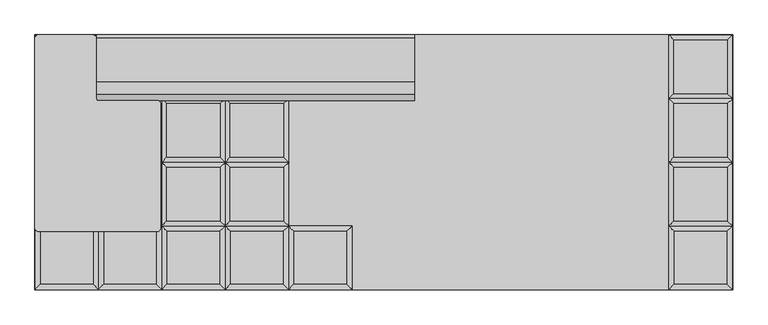
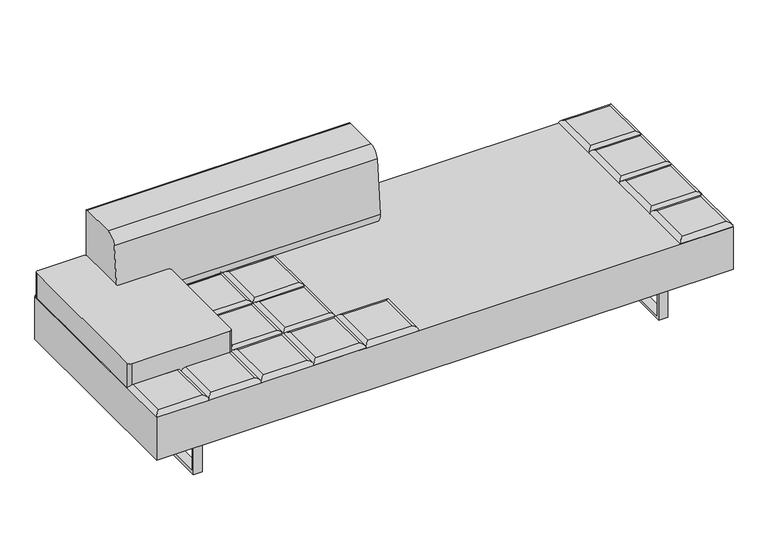
"""IFC4 building model written with IfcOpenShell, lengths in millimetres: furniture geometry."""

from ifc_helpers import new_model, si_unit, point, frame, frame_2d, origin, place, context, project, spatial, polyline, circle_curve, ellipse_curve, trimmed, segment, composite_curve, outline, extrude, source, transform, mapped, element, save
from ifc_brep_helpers import plane_surface, cylinder_surface, advanced_brep


def furniture_c90e6d47(model_context):
    return source(origin(), model_context, "Body", "SolidModel", [
        advanced_brep(
        [(-109.855, -222.25, 393.7), (-127.8155122, -240.2105122, 411.6605122), (-127.8155122, -426.5394878, 411.6605122), (-109.855, -444.5, 393.7), (-314.1444878, -426.5394878, 411.6605122), (-332.105, -444.5, 393.7), (-314.1444878, -240.2105122, 411.6605122), (-332.105, -222.25, 393.7)],
        [
            (0, 1, ellipse_curve(frame((-127.8155122, -240.2105122, 393.7), z_axis=(0.7071067811865475, -0.7071067811865475, 0.0), x_axis=(0.7071067811865474, 0.7071067811865476, 0.0)), 25.4, 17.9605122)),
            (1, 2),
            (2, 3, ellipse_curve(frame((-127.8155122, -426.5394878, 393.7), z_axis=(0.7071067811865475, 0.7071067811865475, 0.0), x_axis=(-0.7071067811865474, 0.7071067811865476, 0.0)), 25.4, 17.9605122)),
            (3, 0),
            (2, 4),
            (4, 5, ellipse_curve(frame((-314.1444878, -426.5394878, 393.7), z_axis=(0.7071067811865475, -0.7071067811865475, 0.0), x_axis=(0.7071067811865476, 0.7071067811865474, 0.0)), 25.4, 17.9605122)),
            (5, 3),
            (4, 6),
            (6, 7, ellipse_curve(frame((-314.1444878, -240.2105122, 393.7), z_axis=(-0.7071067811865475, -0.7071067811865475, 0.0), x_axis=(0.7071067811865474, -0.7071067811865476, 0.0)), 25.4, 17.9605122)),
            (7, 5),
            (0, 7),
            (6, 1),
        ],
        [
            cylinder_surface(frame((-127.8155122, -222.25, 393.7), z_axis=(0.0, 1.0, 0.0), x_axis=(1.0, 0.0, 0.0)), 17.9605122),
            cylinder_surface(frame((-109.855, -426.5394878, 393.7), z_axis=(1.0, 0.0, 0.0), x_axis=(0.0, -1.0, 0.0)), 17.9605122),
            cylinder_surface(frame((-314.1444878, -444.5, 393.7), z_axis=(0.0, -1.0, 0.0), x_axis=(-1.0, 0.0, 0.0)), 17.9605122),
            cylinder_surface(frame((-332.105, -240.2105122, 393.7), z_axis=(-1.0, 0.0, 0.0), x_axis=(0.0, 1.0, 0.0)), 17.9605122),
            plane_surface(frame((-332.105, -222.25, 393.7), z_axis=(0.0, 0.0, -1.0), x_axis=(1.0, 0.0, 0.0))),
            plane_surface(frame((-314.1444878, -240.2105122, 411.6605122), z_axis=(0.0, 0.0, 1.0), x_axis=(-1.0, 0.0, 0.0))),
        ],
        [
            (0, [[1, 2, 3, 4]]),
            (1, [[-3, 5, 6, 7]]),
            (2, [[-6, 8, 9, 10]]),
            (3, [[-1, 11, -9, 12]]),
            (4, [[-4, -7, -10, -11]]),
            (5, [[-2, -12, -8, -5]]),
        ],
    ),
        advanced_brep(
        [(-348.7955122, -204.2894878, 411.6605122), (-348.7955122, -17.9605122, 411.6605122), (-535.1244878, -17.9605122, 411.6605122), (-535.1244878, -204.2894878, 411.6605122), (-330.835, 0.0, 393.7), (-330.835, -222.25, 393.7), (-553.085, -222.25, 393.7), (-553.085, 0.0, 393.7)],
        [
            (0, 1),
            (1, 2),
            (2, 3),
            (3, 0),
            (4, 5),
            (5, 6),
            (6, 7),
            (7, 4),
            (4, 1, ellipse_curve(frame((-348.7955122, -17.9605122, 393.7), z_axis=(0.7071067811865475, -0.7071067811865475, 0.0), x_axis=(0.7071067811865474, 0.7071067811865476, 0.0)), 25.4, 17.9605122)),
            (0, 5, ellipse_curve(frame((-348.7955122, -204.2894878, 393.7), z_axis=(0.7071067811865475, 0.7071067811865475, 0.0), x_axis=(-0.7071067811865474, 0.7071067811865476, 0.0)), 25.4, 17.9605122)),
            (3, 6, ellipse_curve(frame((-535.1244878, -204.2894878, 393.7), z_axis=(0.7071067811865475, -0.7071067811865475, 0.0), x_axis=(0.7071067811865476, 0.7071067811865474, 0.0)), 25.4, 17.9605122)),
            (2, 7, ellipse_curve(frame((-535.1244878, -17.9605122, 393.7), z_axis=(-0.7071067811865475, -0.7071067811865475, 0.0), x_axis=(0.7071067811865474, -0.7071067811865476, 0.0)), 25.4, 17.9605122)),
        ],
        [
            plane_surface(frame((-535.1244878, -17.9605122, 411.6605122), z_axis=(0.0, 0.0, 1.0), x_axis=(-1.0, 0.0, 0.0))),
            plane_surface(frame((-535.1244878, -17.9605122, 393.7), z_axis=(0.0, 0.0, -1.0), x_axis=(1.0, 0.0, 0.0))),
            cylinder_surface(frame((-348.7955122, 0.0, 393.7), z_axis=(0.0, 1.0, 0.0), x_axis=(1.0, 0.0, 0.0)), 17.9605122),
            cylinder_surface(frame((-330.835, -204.2894878, 393.7), z_axis=(1.0, 0.0, 0.0), x_axis=(0.0, -1.0, 0.0)), 17.9605122),
            cylinder_surface(frame((-535.1244878, -222.25, 393.7), z_axis=(0.0, -1.0, 0.0), x_axis=(-1.0, 0.0, 0.0)), 17.9605122),
            cylinder_surface(frame((-553.085, -17.9605122, 393.7), z_axis=(-1.0, 0.0, 0.0), x_axis=(0.0, 1.0, 0.0)), 17.9605122),
        ],
        [
            (0, [[1, 2, 3, 4]]),
            (1, [[5, 6, 7, 8]]),
            (2, [[9, -1, 10, -5]]),
            (3, [[-10, -4, 11, -6]]),
            (4, [[-11, -3, 12, -7]]),
            (5, [[-9, -8, -12, -2]]),
        ],
    ),
        advanced_brep(
        [(-348.7955122, 17.9605122, 411.6605122), (-348.7955122, 204.2894878, 411.6605122), (-535.1244878, 204.2894878, 411.6605122), (-535.1244878, 17.9605122, 411.6605122), (-330.835, 222.25, 393.7), (-330.835, 0.0, 393.7), (-553.085, 0.0, 393.7), (-553.085, 222.25, 393.7)],
        [
            (0, 1),
            (1, 2),
            (2, 3),
            (3, 0),
            (4, 5),
            (5, 6),
            (6, 7),
            (7, 4),
            (4, 1, ellipse_curve(frame((-348.7955122, 204.2894878, 393.7), z_axis=(0.7071067811865475, -0.7071067811865475, 0.0), x_axis=(0.7071067811865474, 0.7071067811865476, 0.0)), 25.4, 17.9605122)),
            (0, 5, ellipse_curve(frame((-348.7955122, 17.9605122, 393.7), z_axis=(0.7071067811865475, 0.7071067811865475, 0.0), x_axis=(-0.7071067811865474, 0.7071067811865476, 0.0)), 25.4, 17.9605122)),
            (3, 6, ellipse_curve(frame((-535.1244878, 17.9605122, 393.7), z_axis=(0.7071067811865475, -0.7071067811865475, 0.0), x_axis=(0.7071067811865476, 0.7071067811865474, 0.0)), 25.4, 17.9605122)),
            (2, 7, ellipse_curve(frame((-535.1244878, 204.2894878, 393.7), z_axis=(-0.7071067811865475, -0.7071067811865475, 0.0), x_axis=(0.7071067811865474, -0.7071067811865476, 0.0)), 25.4, 17.9605122)),
        ],
        [
            plane_surface(frame((-535.1244878, 204.2894878, 411.6605122), z_axis=(0.0, 0.0, 1.0), x_axis=(-1.0, 0.0, 0.0))),
            plane_surface(frame((-535.1244878, 204.2894878, 393.7), z_axis=(0.0, 0.0, -1.0), x_axis=(1.0, 0.0, 0.0))),
            cylinder_surface(frame((-348.7955122, 222.25, 393.7), z_axis=(0.0, 1.0, 0.0), x_axis=(1.0, 0.0, 0.0)), 17.9605122),
            cylinder_surface(frame((-330.835, 17.9605122, 393.7), z_axis=(1.0, 0.0, 0.0), x_axis=(0.0, -1.0, 0.0)), 17.9605122),
            cylinder_surface(frame((-535.1244878, 0.0, 393.7), z_axis=(0.0, -1.0, 0.0), x_axis=(-1.0, 0.0, 0.0)), 17.9605122),
            cylinder_surface(frame((-553.085, 204.2894878, 393.7), z_axis=(-1.0, 0.0, 0.0), x_axis=(0.0, 1.0, 0.0)), 17.9605122),
        ],
        [
            (0, [[1, 2, 3, 4]]),
            (1, [[5, 6, 7, 8]]),
            (2, [[9, -1, 10, -5]]),
            (3, [[-10, -4, 11, -6]]),
            (4, [[-11, -3, 12, -7]]),
            (5, [[-9, -8, -12, -2]]),
        ],
    ),
        advanced_brep(
        [(-348.7955122, 240.2105122, 411.6605122), (-348.7955122, 426.5394878, 411.6605122), (-535.1244878, 426.5394878, 411.6605122), (-535.1244878, 240.2105122, 411.6605122), (-330.835, 444.5, 393.7), (-330.835, 222.25, 393.7), (-553.085, 222.25, 393.7), (-553.085, 444.5, 393.7)],
        [
            (0, 1),
            (1, 2),
            (2, 3),
            (3, 0),
            (4, 5),
            (5, 6),
            (6, 7),
            (7, 4),
            (4, 1, ellipse_curve(frame((-348.7955122, 426.5394878, 393.7), z_axis=(0.7071067811865475, -0.7071067811865475, 0.0), x_axis=(0.7071067811865474, 0.7071067811865476, 0.0)), 25.4, 17.9605122)),
            (0, 5, ellipse_curve(frame((-348.7955122, 240.2105122, 393.7), z_axis=(0.7071067811865475, 0.7071067811865475, 0.0), x_axis=(-0.7071067811865474, 0.7071067811865476, 0.0)), 25.4, 17.9605122)),
            (3, 6, ellipse_curve(frame((-535.1244878, 240.2105122, 393.7), z_axis=(0.7071067811865475, -0.7071067811865475, 0.0), x_axis=(0.7071067811865476, 0.7071067811865474, 0.0)), 25.4, 17.9605122)),
            (2, 7, ellipse_curve(frame((-535.1244878, 426.5394878, 393.7), z_axis=(-0.7071067811865475, -0.7071067811865475, 0.0), x_axis=(0.7071067811865474, -0.7071067811865476, 0.0)), 25.4, 17.9605122)),
        ],
        [
            plane_surface(frame((-535.1244878, 426.5394878, 411.6605122), z_axis=(0.0, 0.0, 1.0), x_axis=(-1.0, 0.0, 0.0))),
            plane_surface(frame((-535.1244878, 426.5394878, 393.7), z_axis=(0.0, 0.0, -1.0), x_axis=(1.0, 0.0, 0.0))),
            cylinder_surface(frame((-348.7955122, 444.5, 393.7), z_axis=(0.0, 1.0, 0.0), x_axis=(1.0, 0.0, 0.0)), 17.9605122),
            cylinder_surface(frame((-330.835, 240.2105122, 393.7), z_axis=(1.0, 0.0, 0.0), x_axis=(0.0, -1.0, 0.0)), 17.9605122),
            cylinder_surface(frame((-535.1244878, 222.25, 393.7), z_axis=(0.0, -1.0, 0.0), x_axis=(-1.0, 0.0, 0.0)), 17.9605122),
            cylinder_surface(frame((-553.085, 426.5394878, 393.7), z_axis=(-1.0, 0.0, 0.0), x_axis=(0.0, 1.0, 0.0)), 17.9605122),
        ],
        [
            (0, [[1, 2, 3, 4]]),
            (1, [[5, 6, 7, 8]]),
            (2, [[9, -1, 10, -5]]),
            (3, [[-10, -4, 11, -6]]),
            (4, [[-11, -3, 12, -7]]),
            (5, [[-9, -8, -12, -2]]),
        ],
    ),
        advanced_brep(
        [(-330.835, -222.25, 393.7), (-348.7955122, -240.2105122, 411.6605122), (-348.7955122, -426.5394878, 411.6605122), (-330.835, -444.5, 393.7), (-535.1244878, -426.5394878, 411.6605122), (-553.085, -444.5, 393.7), (-535.1244878, -240.2105122, 411.6605122), (-553.085, -222.25, 393.7)],
        [
            (0, 1, ellipse_curve(frame((-348.7955122, -240.2105122, 393.7), z_axis=(0.7071067811865475, -0.7071067811865475, 0.0), x_axis=(0.7071067811865474, 0.7071067811865476, 0.0)), 25.4, 17.9605122)),
            (1, 2),
            (2, 3, ellipse_curve(frame((-348.7955122, -426.5394878, 393.7), z_axis=(0.7071067811865475, 0.7071067811865475, 0.0), x_axis=(-0.7071067811865474, 0.7071067811865476, 0.0)), 25.4, 17.9605122)),
            (3, 0),
            (2, 4),
            (4, 5, ellipse_curve(frame((-535.1244878, -426.5394878, 393.7), z_axis=(0.7071067811865475, -0.7071067811865475, 0.0), x_axis=(0.7071067811865476, 0.7071067811865474, 0.0)), 25.4, 17.9605122)),
            (5, 3),
            (4, 6),
            (6, 7, ellipse_curve(frame((-535.1244878, -240.2105122, 393.7), z_axis=(-0.7071067811865475, -0.7071067811865475, 0.0), x_axis=(0.7071067811865474, -0.7071067811865476, 0.0)), 25.4, 17.9605122)),
            (7, 5),
            (0, 7),
            (6, 1),
        ],
        [
            cylinder_surface(frame((-348.7955122, -222.25, 393.7), z_axis=(0.0, 1.0, 0.0), x_axis=(1.0, 0.0, 0.0)), 17.9605122),
            cylinder_surface(frame((-330.835, -426.5394878, 393.7), z_axis=(1.0, 0.0, 0.0), x_axis=(0.0, -1.0, 0.0)), 17.9605122),
            cylinder_surface(frame((-535.1244878, -444.5, 393.7), z_axis=(0.0, -1.0, 0.0), x_axis=(-1.0, 0.0, 0.0)), 17.9605122),
            cylinder_surface(frame((-553.085, -240.2105122, 393.7), z_axis=(-1.0, 0.0, 0.0), x_axis=(0.0, 1.0, 0.0)), 17.9605122),
            plane_surface(frame((-553.085, -222.25, 393.7), z_axis=(0.0, 0.0, -1.0), x_axis=(1.0, 0.0, 0.0))),
            plane_surface(frame((-535.1244878, -240.2105122, 411.6605122), z_axis=(0.0, 0.0, 1.0), x_axis=(-1.0, 0.0, 0.0))),
        ],
        [
            (0, [[1, 2, 3, 4]]),
            (1, [[-3, 5, 6, 7]]),
            (2, [[-6, 8, 9, 10]]),
            (3, [[-1, 11, -9, 12]]),
            (4, [[-4, -7, -10, -11]]),
            (5, [[-2, -12, -8, -5]]),
        ],
    ),
        advanced_brep(
        [(-569.7755122, -204.2894878, 411.6605122), (-569.7755122, -17.9605122, 411.6605122), (-756.1044878, -17.9605122, 411.6605122), (-756.1044878, -204.2894878, 411.6605122), (-551.815, 0.0, 393.7), (-551.815, -222.25, 393.7), (-774.065, -222.25, 393.7), (-774.065, 0.0, 393.7)],
        [
            (0, 1),
            (1, 2),
            (2, 3),
            (3, 0),
            (4, 5),
            (5, 6),
            (6, 7),
            (7, 4),
            (4, 1, ellipse_curve(frame((-569.7755122, -17.9605122, 393.7), z_axis=(0.7071067811865475, -0.7071067811865475, 0.0), x_axis=(0.7071067811865474, 0.7071067811865476, 0.0)), 25.4, 17.9605122)),
            (0, 5, ellipse_curve(frame((-569.7755122, -204.2894878, 393.7), z_axis=(0.7071067811865475, 0.7071067811865475, 0.0), x_axis=(-0.7071067811865474, 0.7071067811865476, 0.0)), 25.4, 17.9605122)),
            (3, 6, ellipse_curve(frame((-756.1044878, -204.2894878, 393.7), z_axis=(0.7071067811865475, -0.7071067811865475, 0.0), x_axis=(0.7071067811865476, 0.7071067811865474, 0.0)), 25.4, 17.9605122)),
            (2, 7, ellipse_curve(frame((-756.1044878, -17.9605122, 393.7), z_axis=(-0.7071067811865475, -0.7071067811865475, 0.0), x_axis=(0.7071067811865474, -0.7071067811865476, 0.0)), 25.4, 17.9605122)),
        ],
        [
            plane_surface(frame((-756.1044878, -17.9605122, 411.6605122), z_axis=(0.0, 0.0, 1.0), x_axis=(-1.0, 0.0, 0.0))),
            plane_surface(frame((-756.1044878, -17.9605122, 393.7), z_axis=(0.0, 0.0, -1.0), x_axis=(1.0, 0.0, 0.0))),
            cylinder_surface(frame((-569.7755122, 0.0, 393.7), z_axis=(0.0, 1.0, 0.0), x_axis=(1.0, 0.0, 0.0)), 17.9605122),
            cylinder_surface(frame((-551.815, -204.2894878, 393.7), z_axis=(1.0, 0.0, 0.0), x_axis=(0.0, -1.0, 0.0)), 17.9605122),
            cylinder_surface(frame((-756.1044878, -222.25, 393.7), z_axis=(0.0, -1.0, 0.0), x_axis=(-1.0, 0.0, 0.0)), 17.9605122),
            cylinder_surface(frame((-774.065, -17.9605122, 393.7), z_axis=(-1.0, 0.0, 0.0), x_axis=(0.0, 1.0, 0.0)), 17.9605122),
        ],
        [
            (0, [[1, 2, 3, 4]]),
            (1, [[5, 6, 7, 8]]),
            (2, [[9, -1, 10, -5]]),
            (3, [[-10, -4, 11, -6]]),
            (4, [[-11, -3, 12, -7]]),
            (5, [[-9, -8, -12, -2]]),
        ],
    ),
        advanced_brep(
        [(-569.7755122, 17.9605122, 411.6605122), (-569.7755122, 204.2894878, 411.6605122), (-756.1044878, 204.2894878, 411.6605122), (-756.1044878, 17.9605122, 411.6605122), (-551.815, 222.25, 393.7), (-551.815, 0.0, 393.7), (-774.065, 0.0, 393.7), (-774.065, 222.25, 393.7)],
        [
            (0, 1),
            (1, 2),
            (2, 3),
            (3, 0),
            (4, 5),
            (5, 6),
            (6, 7),
            (7, 4),
            (4, 1, ellipse_curve(frame((-569.7755122, 204.2894878, 393.7), z_axis=(0.7071067811865475, -0.7071067811865475, 0.0), x_axis=(0.7071067811865474, 0.7071067811865476, 0.0)), 25.4, 17.9605122)),
            (0, 5, ellipse_curve(frame((-569.7755122, 17.9605122, 393.7), z_axis=(0.7071067811865475, 0.7071067811865475, 0.0), x_axis=(-0.7071067811865474, 0.7071067811865476, 0.0)), 25.4, 17.9605122)),
            (3, 6, ellipse_curve(frame((-756.1044878, 17.9605122, 393.7), z_axis=(0.7071067811865475, -0.7071067811865475, 0.0), x_axis=(0.7071067811865476, 0.7071067811865474, 0.0)), 25.4, 17.9605122)),
            (2, 7, ellipse_curve(frame((-756.1044878, 204.2894878, 393.7), z_axis=(-0.7071067811865475, -0.7071067811865475, 0.0), x_axis=(0.7071067811865474, -0.7071067811865476, 0.0)), 25.4, 17.9605122)),
        ],
        [
            plane_surface(frame((-756.1044878, 204.2894878, 411.6605122), z_axis=(0.0, 0.0, 1.0), x_axis=(-1.0, 0.0, 0.0))),
            plane_surface(frame((-756.1044878, 204.2894878, 393.7), z_axis=(0.0, 0.0, -1.0), x_axis=(1.0, 0.0, 0.0))),
            cylinder_surface(frame((-569.7755122, 222.25, 393.7), z_axis=(0.0, 1.0, 0.0), x_axis=(1.0, 0.0, 0.0)), 17.9605122),
            cylinder_surface(frame((-551.815, 17.9605122, 393.7), z_axis=(1.0, 0.0, 0.0), x_axis=(0.0, -1.0, 0.0)), 17.9605122),
            cylinder_surface(frame((-756.1044878, 0.0, 393.7), z_axis=(0.0, -1.0, 0.0), x_axis=(-1.0, 0.0, 0.0)), 17.9605122),
            cylinder_surface(frame((-774.065, 204.2894878, 393.7), z_axis=(-1.0, 0.0, 0.0), x_axis=(0.0, 1.0, 0.0)), 17.9605122),
        ],
        [
            (0, [[1, 2, 3, 4]]),
            (1, [[5, 6, 7, 8]]),
            (2, [[9, -1, 10, -5]]),
            (3, [[-10, -4, 11, -6]]),
            (4, [[-11, -3, 12, -7]]),
            (5, [[-9, -8, -12, -2]]),
        ],
    ),
        advanced_brep(
        [(-569.7755122, 240.2105122, 411.6605122), (-569.7755122, 426.5394878, 411.6605122), (-756.1044878, 426.5394878, 411.6605122), (-756.1044878, 240.2105122, 411.6605122), (-551.815, 444.5, 393.7), (-551.815, 222.25, 393.7), (-774.065, 222.25, 393.7), (-774.065, 444.5, 393.7)],
        [
            (0, 1),
            (1, 2),
            (2, 3),
            (3, 0),
            (4, 5),
            (5, 6),
            (6, 7),
            (7, 4),
            (4, 1, ellipse_curve(frame((-569.7755122, 426.5394878, 393.7), z_axis=(0.7071067811865475, -0.7071067811865475, 0.0), x_axis=(0.7071067811865474, 0.7071067811865476, 0.0)), 25.4, 17.9605122)),
            (0, 5, ellipse_curve(frame((-569.7755122, 240.2105122, 393.7), z_axis=(0.7071067811865475, 0.7071067811865475, 0.0), x_axis=(-0.7071067811865474, 0.7071067811865476, 0.0)), 25.4, 17.9605122)),
            (3, 6, ellipse_curve(frame((-756.1044878, 240.2105122, 393.7), z_axis=(0.7071067811865475, -0.7071067811865475, 0.0), x_axis=(0.7071067811865476, 0.7071067811865474, 0.0)), 25.4, 17.9605122)),
            (2, 7, ellipse_curve(frame((-756.1044878, 426.5394878, 393.7), z_axis=(-0.7071067811865475, -0.7071067811865475, 0.0), x_axis=(0.7071067811865474, -0.7071067811865476, 0.0)), 25.4, 17.9605122)),
        ],
        [
            plane_surface(frame((-756.1044878, 426.5394878, 411.6605122), z_axis=(0.0, 0.0, 1.0), x_axis=(-1.0, 0.0, 0.0))),
            plane_surface(frame((-756.1044878, 426.5394878, 393.7), z_axis=(0.0, 0.0, -1.0), x_axis=(1.0, 0.0, 0.0))),
            cylinder_surface(frame((-569.7755122, 444.5, 393.7), z_axis=(0.0, 1.0, 0.0), x_axis=(1.0, 0.0, 0.0)), 17.9605122),
            cylinder_surface(frame((-551.815, 240.2105122, 393.7), z_axis=(1.0, 0.0, 0.0), x_axis=(0.0, -1.0, 0.0)), 17.9605122),
            cylinder_surface(frame((-756.1044878, 222.25, 393.7), z_axis=(0.0, -1.0, 0.0), x_axis=(-1.0, 0.0, 0.0)), 17.9605122),
            cylinder_surface(frame((-774.065, 426.5394878, 393.7), z_axis=(-1.0, 0.0, 0.0), x_axis=(0.0, 1.0, 0.0)), 17.9605122),
        ],
        [
            (0, [[1, 2, 3, 4]]),
            (1, [[5, 6, 7, 8]]),
            (2, [[9, -1, 10, -5]]),
            (3, [[-10, -4, 11, -6]]),
            (4, [[-11, -3, 12, -7]]),
            (5, [[-9, -8, -12, -2]]),
        ],
    ),
        advanced_brep(
        [(-551.815, -222.25, 393.7), (-569.7755122, -240.2105122, 411.6605122), (-569.7755122, -426.5394878, 411.6605122), (-551.815, -444.5, 393.7), (-756.1044878, -426.5394878, 411.6605122), (-774.065, -444.5, 393.7), (-756.1044878, -240.2105122, 411.6605122), (-774.065, -222.25, 393.7)],
        [
            (0, 1, ellipse_curve(frame((-569.7755122, -240.2105122, 393.7), z_axis=(0.7071067811865475, -0.7071067811865475, 0.0), x_axis=(0.7071067811865474, 0.7071067811865476, 0.0)), 25.4, 17.9605122)),
            (1, 2),
            (2, 3, ellipse_curve(frame((-569.7755122, -426.5394878, 393.7), z_axis=(0.7071067811865475, 0.7071067811865475, 0.0), x_axis=(-0.7071067811865474, 0.7071067811865476, 0.0)), 25.4, 17.9605122)),
            (3, 0),
            (2, 4),
            (4, 5, ellipse_curve(frame((-756.1044878, -426.5394878, 393.7), z_axis=(0.7071067811865475, -0.7071067811865475, 0.0), x_axis=(0.7071067811865476, 0.7071067811865474, 0.0)), 25.4, 17.9605122)),
            (5, 3),
            (4, 6),
            (6, 7, ellipse_curve(frame((-756.1044878, -240.2105122, 393.7), z_axis=(-0.7071067811865475, -0.7071067811865475, 0.0), x_axis=(0.7071067811865474, -0.7071067811865476, 0.0)), 25.4, 17.9605122)),
            (7, 5),
            (0, 7),
            (6, 1),
        ],
        [
            cylinder_surface(frame((-569.7755122, -222.25, 393.7), z_axis=(0.0, 1.0, 0.0), x_axis=(1.0, 0.0, 0.0)), 17.9605122),
            cylinder_surface(frame((-551.815, -426.5394878, 393.7), z_axis=(1.0, 0.0, 0.0), x_axis=(0.0, -1.0, 0.0)), 17.9605122),
            cylinder_surface(frame((-756.1044878, -444.5, 393.7), z_axis=(0.0, -1.0, 0.0), x_axis=(-1.0, 0.0, 0.0)), 17.9605122),
            cylinder_surface(frame((-774.065, -240.2105122, 393.7), z_axis=(-1.0, 0.0, 0.0), x_axis=(0.0, 1.0, 0.0)), 17.9605122),
            plane_surface(frame((-774.065, -222.25, 393.7), z_axis=(0.0, 0.0, -1.0), x_axis=(1.0, 0.0, 0.0))),
            plane_surface(frame((-756.1044878, -240.2105122, 411.6605122), z_axis=(0.0, 0.0, 1.0), x_axis=(-1.0, 0.0, 0.0))),
        ],
        [
            (0, [[1, 2, 3, 4]]),
            (1, [[-3, 5, 6, 7]]),
            (2, [[-6, 8, 9, 10]]),
            (3, [[-1, 11, -9, 12]]),
            (4, [[-4, -7, -10, -11]]),
            (5, [[-2, -12, -8, -5]]),
        ],
    ),
        advanced_brep(
        [(-790.7555122, -204.2894878, 411.6605122), (-790.7555122, -17.9605122, 411.6605122), (-977.0844878, -17.9605122, 411.6605122), (-977.0844878, -204.2894878, 411.6605122), (-772.795, 0.0, 393.7), (-772.795, -222.25, 393.7), (-995.045, -222.25, 393.7), (-995.045, 0.0, 393.7)],
        [
            (0, 1),
            (1, 2),
            (2, 3),
            (3, 0),
            (4, 5),
            (5, 6),
            (6, 7),
            (7, 4),
            (4, 1, ellipse_curve(frame((-790.7555122, -17.9605122, 393.7), z_axis=(0.7071067811865475, -0.7071067811865475, 0.0), x_axis=(0.7071067811865474, 0.7071067811865476, 0.0)), 25.4, 17.9605122)),
            (0, 5, ellipse_curve(frame((-790.7555122, -204.2894878, 393.7), z_axis=(0.7071067811865475, 0.7071067811865475, 0.0), x_axis=(-0.7071067811865474, 0.7071067811865476, 0.0)), 25.4, 17.9605122)),
            (3, 6, ellipse_curve(frame((-977.0844878, -204.2894878, 393.7), z_axis=(0.7071067811865475, -0.7071067811865475, 0.0), x_axis=(0.7071067811865476, 0.7071067811865474, 0.0)), 25.4, 17.9605122)),
            (2, 7, ellipse_curve(frame((-977.0844878, -17.9605122, 393.7), z_axis=(-0.7071067811865475, -0.7071067811865475, 0.0), x_axis=(0.7071067811865474, -0.7071067811865476, 0.0)), 25.4, 17.9605122)),
        ],
        [
            plane_surface(frame((-977.0844878, -17.9605122, 411.6605122), z_axis=(0.0, 0.0, 1.0), x_axis=(-1.0, 0.0, 0.0))),
            plane_surface(frame((-977.0844878, -17.9605122, 393.7), z_axis=(0.0, 0.0, -1.0), x_axis=(1.0, 0.0, 0.0))),
            cylinder_surface(frame((-790.7555122, 0.0, 393.7), z_axis=(0.0, 1.0, 0.0), x_axis=(1.0, 0.0, 0.0)), 17.9605122),
            cylinder_surface(frame((-772.795, -204.2894878, 393.7), z_axis=(1.0, 0.0, 0.0), x_axis=(0.0, -1.0, 0.0)), 17.9605122),
            cylinder_surface(frame((-977.0844878, -222.25, 393.7), z_axis=(0.0, -1.0, 0.0), x_axis=(-1.0, 0.0, 0.0)), 17.9605122),
            cylinder_surface(frame((-995.045, -17.9605122, 393.7), z_axis=(-1.0, 0.0, 0.0), x_axis=(0.0, 1.0, 0.0)), 17.9605122),
        ],
        [
            (0, [[1, 2, 3, 4]]),
            (1, [[5, 6, 7, 8]]),
            (2, [[9, -1, 10, -5]]),
            (3, [[-10, -4, 11, -6]]),
            (4, [[-11, -3, 12, -7]]),
            (5, [[-9, -8, -12, -2]]),
        ],
    ),
        advanced_brep(
        [(-790.7555122, 17.9605122, 411.6605122), (-790.7555122, 204.2894878, 411.6605122), (-977.0844878, 204.2894878, 411.6605122), (-977.0844878, 17.9605122, 411.6605122), (-772.795, 222.25, 393.7), (-772.795, 0.0, 393.7), (-995.045, 0.0, 393.7), (-995.045, 222.25, 393.7)],
        [
            (0, 1),
            (1, 2),
            (2, 3),
            (3, 0),
            (4, 5),
            (5, 6),
            (6, 7),
            (7, 4),
            (4, 1, ellipse_curve(frame((-790.7555122, 204.2894878, 393.7), z_axis=(0.7071067811865475, -0.7071067811865475, 0.0), x_axis=(0.7071067811865474, 0.7071067811865476, 0.0)), 25.4, 17.9605122)),
            (0, 5, ellipse_curve(frame((-790.7555122, 17.9605122, 393.7), z_axis=(0.7071067811865475, 0.7071067811865475, 0.0), x_axis=(-0.7071067811865474, 0.7071067811865476, 0.0)), 25.4, 17.9605122)),
            (3, 6, ellipse_curve(frame((-977.0844878, 17.9605122, 393.7), z_axis=(0.7071067811865475, -0.7071067811865475, 0.0), x_axis=(0.7071067811865476, 0.7071067811865474, 0.0)), 25.4, 17.9605122)),
            (2, 7, ellipse_curve(frame((-977.0844878, 204.2894878, 393.7), z_axis=(-0.7071067811865475, -0.7071067811865475, 0.0), x_axis=(0.7071067811865474, -0.7071067811865476, 0.0)), 25.4, 17.9605122)),
        ],
        [
            plane_surface(frame((-977.0844878, 204.2894878, 411.6605122), z_axis=(0.0, 0.0, 1.0), x_axis=(-1.0, 0.0, 0.0))),
            plane_surface(frame((-977.0844878, 204.2894878, 393.7), z_axis=(0.0, 0.0, -1.0), x_axis=(1.0, 0.0, 0.0))),
            cylinder_surface(frame((-790.7555122, 222.25, 393.7), z_axis=(0.0, 1.0, 0.0), x_axis=(1.0, 0.0, 0.0)), 17.9605122),
            cylinder_surface(frame((-772.795, 17.9605122, 393.7), z_axis=(1.0, 0.0, 0.0), x_axis=(0.0, -1.0, 0.0)), 17.9605122),
            cylinder_surface(frame((-977.0844878, 0.0, 393.7), z_axis=(0.0, -1.0, 0.0), x_axis=(-1.0, 0.0, 0.0)), 17.9605122),
            cylinder_surface(frame((-995.045, 204.2894878, 393.7), z_axis=(-1.0, 0.0, 0.0), x_axis=(0.0, 1.0, 0.0)), 17.9605122),
        ],
        [
            (0, [[1, 2, 3, 4]]),
            (1, [[5, 6, 7, 8]]),
            (2, [[9, -1, 10, -5]]),
            (3, [[-10, -4, 11, -6]]),
            (4, [[-11, -3, 12, -7]]),
            (5, [[-9, -8, -12, -2]]),
        ],
    ),
        advanced_brep(
        [(-790.7555122, 240.2105122, 411.6605122), (-790.7555122, 426.5394878, 411.6605122), (-977.0844878, 426.5394878, 411.6605122), (-977.0844878, 240.2105122, 411.6605122), (-772.795, 444.5, 393.7), (-772.795, 222.25, 393.7), (-995.045, 222.25, 393.7), (-995.045, 444.5, 393.7)],
        [
            (0, 1),
            (1, 2),
            (2, 3),
            (3, 0),
            (4, 5),
            (5, 6),
            (6, 7),
            (7, 4),
            (4, 1, ellipse_curve(frame((-790.7555122, 426.5394878, 393.7), z_axis=(0.7071067811865475, -0.7071067811865475, 0.0), x_axis=(0.7071067811865474, 0.7071067811865476, 0.0)), 25.4, 17.9605122)),
            (0, 5, ellipse_curve(frame((-790.7555122, 240.2105122, 393.7), z_axis=(0.7071067811865475, 0.7071067811865475, 0.0), x_axis=(-0.7071067811865474, 0.7071067811865476, 0.0)), 25.4, 17.9605122)),
            (3, 6, ellipse_curve(frame((-977.0844878, 240.2105122, 393.7), z_axis=(0.7071067811865475, -0.7071067811865475, 0.0), x_axis=(0.7071067811865476, 0.7071067811865474, 0.0)), 25.4, 17.9605122)),
            (2, 7, ellipse_curve(frame((-977.0844878, 426.5394878, 393.7), z_axis=(-0.7071067811865475, -0.7071067811865475, 0.0), x_axis=(0.7071067811865474, -0.7071067811865476, 0.0)), 25.4, 17.9605122)),
        ],
        [
            plane_surface(frame((-977.0844878, 426.5394878, 411.6605122), z_axis=(0.0, 0.0, 1.0), x_axis=(-1.0, 0.0, 0.0))),
            plane_surface(frame((-977.0844878, 426.5394878, 393.7), z_axis=(0.0, 0.0, -1.0), x_axis=(1.0, 0.0, 0.0))),
            cylinder_surface(frame((-790.7555122, 444.5, 393.7), z_axis=(0.0, 1.0, 0.0), x_axis=(1.0, 0.0, 0.0)), 17.9605122),
            cylinder_surface(frame((-772.795, 240.2105122, 393.7), z_axis=(1.0, 0.0, 0.0), x_axis=(0.0, -1.0, 0.0)), 17.9605122),
            cylinder_surface(frame((-977.0844878, 222.25, 393.7), z_axis=(0.0, -1.0, 0.0), x_axis=(-1.0, 0.0, 0.0)), 17.9605122),
            cylinder_surface(frame((-995.045, 426.5394878, 393.7), z_axis=(-1.0, 0.0, 0.0), x_axis=(0.0, 1.0, 0.0)), 17.9605122),
        ],
        [
            (0, [[1, 2, 3, 4]]),
            (1, [[5, 6, 7, 8]]),
            (2, [[9, -1, 10, -5]]),
            (3, [[-10, -4, 11, -6]]),
            (4, [[-11, -3, 12, -7]]),
            (5, [[-9, -8, -12, -2]]),
        ],
    ),
        advanced_brep(
        [(-772.795, -222.25, 393.7), (-790.7555122, -240.2105122, 411.6605122), (-790.7555122, -426.5394878, 411.6605122), (-772.795, -444.5, 393.7), (-977.0844878, -426.5394878, 411.6605122), (-995.045, -444.5, 393.7), (-977.0844878, -240.2105122, 411.6605122), (-995.045, -222.25, 393.7)],
        [
            (0, 1, ellipse_curve(frame((-790.7555122, -240.2105122, 393.7), z_axis=(0.7071067811865475, -0.7071067811865475, 0.0), x_axis=(0.7071067811865474, 0.7071067811865476, 0.0)), 25.4, 17.9605122)),
            (1, 2),
            (2, 3, ellipse_curve(frame((-790.7555122, -426.5394878, 393.7), z_axis=(0.7071067811865475, 0.7071067811865475, 0.0), x_axis=(-0.7071067811865474, 0.7071067811865476, 0.0)), 25.4, 17.9605122)),
            (3, 0),
            (2, 4),
            (4, 5, ellipse_curve(frame((-977.0844878, -426.5394878, 393.7), z_axis=(0.7071067811865475, -0.7071067811865475, 0.0), x_axis=(0.7071067811865476, 0.7071067811865474, 0.0)), 25.4, 17.9605122)),
            (5, 3),
            (4, 6),
            (6, 7, ellipse_curve(frame((-977.0844878, -240.2105122, 393.7), z_axis=(-0.7071067811865475, -0.7071067811865475, 0.0), x_axis=(0.7071067811865474, -0.7071067811865476, 0.0)), 25.4, 17.9605122)),
            (7, 5),
            (0, 7),
            (6, 1),
        ],
        [
            cylinder_surface(frame((-790.7555122, -222.25, 393.7), z_axis=(0.0, 1.0, 0.0), x_axis=(1.0, 0.0, 0.0)), 17.9605122),
            cylinder_surface(frame((-772.795, -426.5394878, 393.7), z_axis=(1.0, 0.0, 0.0), x_axis=(0.0, -1.0, 0.0)), 17.9605122),
            cylinder_surface(frame((-977.0844878, -444.5, 393.7), z_axis=(0.0, -1.0, 0.0), x_axis=(-1.0, 0.0, 0.0)), 17.9605122),
            cylinder_surface(frame((-995.045, -240.2105122, 393.7), z_axis=(-1.0, 0.0, 0.0), x_axis=(0.0, 1.0, 0.0)), 17.9605122),
            plane_surface(frame((-995.045, -222.25, 393.7), z_axis=(0.0, 0.0, -1.0), x_axis=(1.0, 0.0, 0.0))),
            plane_surface(frame((-977.0844878, -240.2105122, 411.6605122), z_axis=(0.0, 0.0, 1.0), x_axis=(-1.0, 0.0, 0.0))),
        ],
        [
            (0, [[1, 2, 3, 4]]),
            (1, [[-3, 5, 6, 7]]),
            (2, [[-6, 8, 9, 10]]),
            (3, [[-1, 11, -9, 12]]),
            (4, [[-4, -7, -10, -11]]),
            (5, [[-2, -12, -8, -5]]),
        ],
    ),
        advanced_brep(
        [(1198.0644878, -204.2894878, 411.6605122), (1198.0644878, -17.9605122, 411.6605122), (1011.7355122, -17.9605122, 411.6605122), (1011.7355122, -204.2894878, 411.6605122), (1216.025, 0.0, 393.7), (1216.025, -222.25, 393.7), (993.775, -222.25, 393.7), (993.775, 0.0, 393.7)],
        [
            (0, 1),
            (1, 2),
            (2, 3),
            (3, 0),
            (4, 5),
            (5, 6),
            (6, 7),
            (7, 4),
            (4, 1, ellipse_curve(frame((1198.0644878, -17.9605122, 393.7), z_axis=(0.7071067811865475, -0.7071067811865475, 0.0), x_axis=(0.7071067811865474, 0.7071067811865476, 0.0)), 25.4, 17.9605122)),
            (0, 5, ellipse_curve(frame((1198.0644878, -204.2894878, 393.7), z_axis=(0.7071067811865475, 0.7071067811865475, 0.0), x_axis=(-0.7071067811865474, 0.7071067811865476, 0.0)), 25.4, 17.9605122)),
            (3, 6, ellipse_curve(frame((1011.7355122, -204.2894878, 393.7), z_axis=(0.7071067811865475, -0.7071067811865475, 0.0), x_axis=(0.7071067811865476, 0.7071067811865474, 0.0)), 25.4, 17.9605122)),
            (2, 7, ellipse_curve(frame((1011.7355122, -17.9605122, 393.7), z_axis=(-0.7071067811865475, -0.7071067811865475, 0.0), x_axis=(0.7071067811865474, -0.7071067811865476, 0.0)), 25.4, 17.9605122)),
        ],
        [
            plane_surface(frame((1011.7355122, -17.9605122, 411.6605122), z_axis=(0.0, 0.0, 1.0), x_axis=(-1.0, 0.0, 0.0))),
            plane_surface(frame((1011.7355122, -17.9605122, 393.7), z_axis=(0.0, 0.0, -1.0), x_axis=(1.0, 0.0, 0.0))),
            cylinder_surface(frame((1198.0644878, 0.0, 393.7), z_axis=(0.0, 1.0, 0.0), x_axis=(1.0, 0.0, 0.0)), 17.9605122),
            cylinder_surface(frame((1216.025, -204.2894878, 393.7), z_axis=(1.0, 0.0, 0.0), x_axis=(0.0, -1.0, 0.0)), 17.9605122),
            cylinder_surface(frame((1011.7355122, -222.25, 393.7), z_axis=(0.0, -1.0, 0.0), x_axis=(-1.0, 0.0, 0.0)), 17.9605122),
            cylinder_surface(frame((993.775, -17.9605122, 393.7), z_axis=(-1.0, 0.0, 0.0), x_axis=(0.0, 1.0, 0.0)), 17.9605122),
        ],
        [
            (0, [[1, 2, 3, 4]]),
            (1, [[5, 6, 7, 8]]),
            (2, [[9, -1, 10, -5]]),
            (3, [[-10, -4, 11, -6]]),
            (4, [[-11, -3, 12, -7]]),
            (5, [[-9, -8, -12, -2]]),
        ],
    ),
        advanced_brep(
        [(1198.0644878, 17.9605122, 411.6605122), (1198.0644878, 204.2894878, 411.6605122), (1011.7355122, 204.2894878, 411.6605122), (1011.7355122, 17.9605122, 411.6605122), (1216.025, 222.25, 393.7), (1216.025, 0.0, 393.7), (993.775, 0.0, 393.7), (993.775, 222.25, 393.7)],
        [
            (0, 1),
            (1, 2),
            (2, 3),
            (3, 0),
            (4, 5),
            (5, 6),
            (6, 7),
            (7, 4),
            (4, 1, ellipse_curve(frame((1198.0644878, 204.2894878, 393.7), z_axis=(0.7071067811865475, -0.7071067811865475, 0.0), x_axis=(0.7071067811865474, 0.7071067811865476, 0.0)), 25.4, 17.9605122)),
            (0, 5, ellipse_curve(frame((1198.0644878, 17.9605122, 393.7), z_axis=(0.7071067811865475, 0.7071067811865475, 0.0), x_axis=(-0.7071067811865474, 0.7071067811865476, 0.0)), 25.4, 17.9605122)),
            (3, 6, ellipse_curve(frame((1011.7355122, 17.9605122, 393.7), z_axis=(0.7071067811865475, -0.7071067811865475, 0.0), x_axis=(0.7071067811865476, 0.7071067811865474, 0.0)), 25.4, 17.9605122)),
            (2, 7, ellipse_curve(frame((1011.7355122, 204.2894878, 393.7), z_axis=(-0.7071067811865475, -0.7071067811865475, 0.0), x_axis=(0.7071067811865474, -0.7071067811865476, 0.0)), 25.4, 17.9605122)),
        ],
        [
            plane_surface(frame((1011.7355122, 204.2894878, 411.6605122), z_axis=(0.0, 0.0, 1.0), x_axis=(-1.0, 0.0, 0.0))),
            plane_surface(frame((1011.7355122, 204.2894878, 393.7), z_axis=(0.0, 0.0, -1.0), x_axis=(1.0, 0.0, 0.0))),
            cylinder_surface(frame((1198.0644878, 222.25, 393.7), z_axis=(0.0, 1.0, 0.0), x_axis=(1.0, 0.0, 0.0)), 17.9605122),
            cylinder_surface(frame((1216.025, 17.9605122, 393.7), z_axis=(1.0, 0.0, 0.0), x_axis=(0.0, -1.0, 0.0)), 17.9605122),
            cylinder_surface(frame((1011.7355122, 0.0, 393.7), z_axis=(0.0, -1.0, 0.0), x_axis=(-1.0, 0.0, 0.0)), 17.9605122),
            cylinder_surface(frame((993.775, 204.2894878, 393.7), z_axis=(-1.0, 0.0, 0.0), x_axis=(0.0, 1.0, 0.0)), 17.9605122),
        ],
        [
            (0, [[1, 2, 3, 4]]),
            (1, [[5, 6, 7, 8]]),
            (2, [[9, -1, 10, -5]]),
            (3, [[-10, -4, 11, -6]]),
            (4, [[-11, -3, 12, -7]]),
            (5, [[-9, -8, -12, -2]]),
        ],
    ),
        advanced_brep(
        [(1198.0644878, 240.2105122, 411.6605122), (1198.0644878, 426.5394878, 411.6605122), (1011.7355122, 426.5394878, 411.6605122), (1011.7355122, 240.2105122, 411.6605122), (1216.025, 444.5, 393.7), (1216.025, 222.25, 393.7), (993.775, 222.25, 393.7), (993.775, 444.5, 393.7)],
        [
            (0, 1),
            (1, 2),
            (2, 3),
            (3, 0),
            (4, 5),
            (5, 6),
            (6, 7),
            (7, 4),
            (4, 1, ellipse_curve(frame((1198.0644878, 426.5394878, 393.7), z_axis=(0.7071067811865475, -0.7071067811865475, 0.0), x_axis=(0.7071067811865474, 0.7071067811865476, 0.0)), 25.4, 17.9605122)),
            (0, 5, ellipse_curve(frame((1198.0644878, 240.2105122, 393.7), z_axis=(0.7071067811865475, 0.7071067811865475, 0.0), x_axis=(-0.7071067811865474, 0.7071067811865476, 0.0)), 25.4, 17.9605122)),
            (3, 6, ellipse_curve(frame((1011.7355122, 240.2105122, 393.7), z_axis=(0.7071067811865475, -0.7071067811865475, 0.0), x_axis=(0.7071067811865476, 0.7071067811865474, 0.0)), 25.4, 17.9605122)),
            (2, 7, ellipse_curve(frame((1011.7355122, 426.5394878, 393.7), z_axis=(-0.7071067811865475, -0.7071067811865475, 0.0), x_axis=(0.7071067811865474, -0.7071067811865476, 0.0)), 25.4, 17.9605122)),
        ],
        [
            plane_surface(frame((1011.7355122, 426.5394878, 411.6605122), z_axis=(0.0, 0.0, 1.0), x_axis=(-1.0, 0.0, 0.0))),
            plane_surface(frame((1011.7355122, 426.5394878, 393.7), z_axis=(0.0, 0.0, -1.0), x_axis=(1.0, 0.0, 0.0))),
            cylinder_surface(frame((1198.0644878, 444.5, 393.7), z_axis=(0.0, 1.0, 0.0), x_axis=(1.0, 0.0, 0.0)), 17.9605122),
            cylinder_surface(frame((1216.025, 240.2105122, 393.7), z_axis=(1.0, 0.0, 0.0), x_axis=(0.0, -1.0, 0.0)), 17.9605122),
            cylinder_surface(frame((1011.7355122, 222.25, 393.7), z_axis=(0.0, -1.0, 0.0), x_axis=(-1.0, 0.0, 0.0)), 17.9605122),
            cylinder_surface(frame((993.775, 426.5394878, 393.7), z_axis=(-1.0, 0.0, 0.0), x_axis=(0.0, 1.0, 0.0)), 17.9605122),
        ],
        [
            (0, [[1, 2, 3, 4]]),
            (1, [[5, 6, 7, 8]]),
            (2, [[9, -1, 10, -5]]),
            (3, [[-10, -4, 11, -6]]),
            (4, [[-11, -3, 12, -7]]),
            (5, [[-9, -8, -12, -2]]),
        ],
    ),
        advanced_brep(
        [(1216.025, -222.25, 393.7), (1198.0644878, -240.2105122, 411.6605122), (1198.0644878, -426.5394878, 411.6605122), (1216.025, -444.5, 393.7), (1011.7355122, -426.5394878, 411.6605122), (993.775, -444.5, 393.7), (1011.7355122, -240.2105122, 411.6605122), (993.775, -222.25, 393.7)],
        [
            (0, 1, ellipse_curve(frame((1198.0644878, -240.2105122, 393.7), z_axis=(0.7071067811865475, -0.7071067811865475, 0.0), x_axis=(0.7071067811865474, 0.7071067811865476, 0.0)), 25.4, 17.9605122)),
            (1, 2),
            (2, 3, ellipse_curve(frame((1198.0644878, -426.5394878, 393.7), z_axis=(0.7071067811865475, 0.7071067811865475, 0.0), x_axis=(-0.7071067811865474, 0.7071067811865476, 0.0)), 25.4, 17.9605122)),
            (3, 0),
            (2, 4),
            (4, 5, ellipse_curve(frame((1011.7355122, -426.5394878, 393.7), z_axis=(0.7071067811865475, -0.7071067811865475, 0.0), x_axis=(0.7071067811865476, 0.7071067811865474, 0.0)), 25.4, 17.9605122)),
            (5, 3),
            (4, 6),
            (6, 7, ellipse_curve(frame((1011.7355122, -240.2105122, 393.7), z_axis=(-0.7071067811865475, -0.7071067811865475, 0.0), x_axis=(0.7071067811865474, -0.7071067811865476, 0.0)), 25.4, 17.9605122)),
            (7, 5),
            (0, 7),
            (6, 1),
        ],
        [
            cylinder_surface(frame((1198.0644878, -222.25, 393.7), z_axis=(0.0, 1.0, 0.0), x_axis=(1.0, 0.0, 0.0)), 17.9605122),
            cylinder_surface(frame((1216.025, -426.5394878, 393.7), z_axis=(1.0, 0.0, 0.0), x_axis=(0.0, -1.0, 0.0)), 17.9605122),
            cylinder_surface(frame((1011.7355122, -444.5, 393.7), z_axis=(0.0, -1.0, 0.0), x_axis=(-1.0, 0.0, 0.0)), 17.9605122),
            cylinder_surface(frame((993.775, -240.2105122, 393.7), z_axis=(-1.0, 0.0, 0.0), x_axis=(0.0, 1.0, 0.0)), 17.9605122),
            plane_surface(frame((993.775, -222.25, 393.7), z_axis=(0.0, 0.0, -1.0), x_axis=(1.0, 0.0, 0.0))),
            plane_surface(frame((1011.7355122, -240.2105122, 411.6605122), z_axis=(0.0, 0.0, 1.0), x_axis=(-1.0, 0.0, 0.0))),
        ],
        [
            (0, [[1, 2, 3, 4]]),
            (1, [[-3, 5, 6, 7]]),
            (2, [[-6, 8, 9, 10]]),
            (3, [[-1, 11, -9, 12]]),
            (4, [[-4, -7, -10, -11]]),
            (5, [[-2, -12, -8, -5]]),
        ],
    ),
        advanced_brep(
        [(-1011.7355122, -204.2894878, 411.6605122), (-1011.7355122, -17.9605122, 411.6605122), (-1198.0644878, -17.9605122, 411.6605122), (-1198.0644878, -204.2894878, 411.6605122), (-993.775, 0.0, 393.7), (-993.775, -222.25, 393.7), (-1216.025, -222.25, 393.7), (-1216.025, 0.0, 393.7)],
        [
            (0, 1),
            (1, 2),
            (2, 3),
            (3, 0),
            (4, 5),
            (5, 6),
            (6, 7),
            (7, 4),
            (4, 1, ellipse_curve(frame((-1011.7355122, -17.9605122, 393.7), z_axis=(0.7071067811865475, -0.7071067811865475, 0.0), x_axis=(0.7071067811865474, 0.7071067811865476, 0.0)), 25.4, 17.9605122)),
            (0, 5, ellipse_curve(frame((-1011.7355122, -204.2894878, 393.7), z_axis=(0.7071067811865475, 0.7071067811865475, 0.0), x_axis=(-0.7071067811865474, 0.7071067811865476, 0.0)), 25.4, 17.9605122)),
            (3, 6, ellipse_curve(frame((-1198.0644878, -204.2894878, 393.7), z_axis=(0.7071067811865475, -0.7071067811865475, 0.0), x_axis=(0.7071067811865476, 0.7071067811865474, 0.0)), 25.4, 17.9605122)),
            (2, 7, ellipse_curve(frame((-1198.0644878, -17.9605122, 393.7), z_axis=(-0.7071067811865475, -0.7071067811865475, 0.0), x_axis=(0.7071067811865474, -0.7071067811865476, 0.0)), 25.4, 17.9605122)),
        ],
        [
            plane_surface(frame((-1198.0644878, -17.9605122, 411.6605122), z_axis=(0.0, 0.0, 1.0), x_axis=(-1.0, 0.0, 0.0))),
            plane_surface(frame((-1198.0644878, -17.9605122, 393.7), z_axis=(0.0, 0.0, -1.0), x_axis=(1.0, 0.0, 0.0))),
            cylinder_surface(frame((-1011.7355122, 0.0, 393.7), z_axis=(0.0, 1.0, 0.0), x_axis=(1.0, 0.0, 0.0)), 17.9605122),
            cylinder_surface(frame((-993.775, -204.2894878, 393.7), z_axis=(1.0, 0.0, 0.0), x_axis=(0.0, -1.0, 0.0)), 17.9605122),
            cylinder_surface(frame((-1198.0644878, -222.25, 393.7), z_axis=(0.0, -1.0, 0.0), x_axis=(-1.0, 0.0, 0.0)), 17.9605122),
            cylinder_surface(frame((-1216.025, -17.9605122, 393.7), z_axis=(-1.0, 0.0, 0.0), x_axis=(0.0, 1.0, 0.0)), 17.9605122),
        ],
        [
            (0, [[1, 2, 3, 4]]),
            (1, [[5, 6, 7, 8]]),
            (2, [[9, -1, 10, -5]]),
            (3, [[-10, -4, 11, -6]]),
            (4, [[-11, -3, 12, -7]]),
            (5, [[-9, -8, -12, -2]]),
        ],
    ),
        advanced_brep(
        [(-1011.7355122, 17.9605122, 411.6605122), (-1011.7355122, 204.2894878, 411.6605122), (-1198.0644878, 204.2894878, 411.6605122), (-1198.0644878, 17.9605122, 411.6605122), (-993.775, 222.25, 393.7), (-993.775, 0.0, 393.7), (-1216.025, 0.0, 393.7), (-1216.025, 222.25, 393.7)],
        [
            (0, 1),
            (1, 2),
            (2, 3),
            (3, 0),
            (4, 5),
            (5, 6),
            (6, 7),
            (7, 4),
            (4, 1, ellipse_curve(frame((-1011.7355122, 204.2894878, 393.7), z_axis=(0.7071067811865475, -0.7071067811865475, 0.0), x_axis=(0.7071067811865474, 0.7071067811865476, 0.0)), 25.4, 17.9605122)),
            (0, 5, ellipse_curve(frame((-1011.7355122, 17.9605122, 393.7), z_axis=(0.7071067811865475, 0.7071067811865475, 0.0), x_axis=(-0.7071067811865474, 0.7071067811865476, 0.0)), 25.4, 17.9605122)),
            (3, 6, ellipse_curve(frame((-1198.0644878, 17.9605122, 393.7), z_axis=(0.7071067811865475, -0.7071067811865475, 0.0), x_axis=(0.7071067811865476, 0.7071067811865474, 0.0)), 25.4, 17.9605122)),
            (2, 7, ellipse_curve(frame((-1198.0644878, 204.2894878, 393.7), z_axis=(-0.7071067811865475, -0.7071067811865475, 0.0), x_axis=(0.7071067811865474, -0.7071067811865476, 0.0)), 25.4, 17.9605122)),
        ],
        [
            plane_surface(frame((-1198.0644878, 204.2894878, 411.6605122), z_axis=(0.0, 0.0, 1.0), x_axis=(-1.0, 0.0, 0.0))),
            plane_surface(frame((-1198.0644878, 204.2894878, 393.7), z_axis=(0.0, 0.0, -1.0), x_axis=(1.0, 0.0, 0.0))),
            cylinder_surface(frame((-1011.7355122, 222.25, 393.7), z_axis=(0.0, 1.0, 0.0), x_axis=(1.0, 0.0, 0.0)), 17.9605122),
            cylinder_surface(frame((-993.775, 17.9605122, 393.7), z_axis=(1.0, 0.0, 0.0), x_axis=(0.0, -1.0, 0.0)), 17.9605122),
            cylinder_surface(frame((-1198.0644878, 0.0, 393.7), z_axis=(0.0, -1.0, 0.0), x_axis=(-1.0, 0.0, 0.0)), 17.9605122),
            cylinder_surface(frame((-1216.025, 204.2894878, 393.7), z_axis=(-1.0, 0.0, 0.0), x_axis=(0.0, 1.0, 0.0)), 17.9605122),
        ],
        [
            (0, [[1, 2, 3, 4]]),
            (1, [[5, 6, 7, 8]]),
            (2, [[9, -1, 10, -5]]),
            (3, [[-10, -4, 11, -6]]),
            (4, [[-11, -3, 12, -7]]),
            (5, [[-9, -8, -12, -2]]),
        ],
    ),
        advanced_brep(
        [(-1011.7355122, 240.2105122, 411.6605122), (-1011.7355122, 426.5394878, 411.6605122), (-1198.0644878, 426.5394878, 411.6605122), (-1198.0644878, 240.2105122, 411.6605122), (-993.775, 444.5, 393.7), (-993.775, 222.25, 393.7), (-1216.025, 222.25, 393.7), (-1216.025, 444.5, 393.7)],
        [
            (0, 1),
            (1, 2),
            (2, 3),
            (3, 0),
            (4, 5),
            (5, 6),
            (6, 7),
            (7, 4),
            (4, 1, ellipse_curve(frame((-1011.7355122, 426.5394878, 393.7), z_axis=(0.7071067811865475, -0.7071067811865475, 0.0), x_axis=(0.7071067811865474, 0.7071067811865476, 0.0)), 25.4, 17.9605122)),
            (0, 5, ellipse_curve(frame((-1011.7355122, 240.2105122, 393.7), z_axis=(0.7071067811865475, 0.7071067811865475, 0.0), x_axis=(-0.7071067811865474, 0.7071067811865476, 0.0)), 25.4, 17.9605122)),
            (3, 6, ellipse_curve(frame((-1198.0644878, 240.2105122, 393.7), z_axis=(0.7071067811865475, -0.7071067811865475, 0.0), x_axis=(0.7071067811865476, 0.7071067811865474, 0.0)), 25.4, 17.9605122)),
            (2, 7, ellipse_curve(frame((-1198.0644878, 426.5394878, 393.7), z_axis=(-0.7071067811865475, -0.7071067811865475, 0.0), x_axis=(0.7071067811865474, -0.7071067811865476, 0.0)), 25.4, 17.9605122)),
        ],
        [
            plane_surface(frame((-1198.0644878, 426.5394878, 411.6605122), z_axis=(0.0, 0.0, 1.0), x_axis=(-1.0, 0.0, 0.0))),
            plane_surface(frame((-1198.0644878, 426.5394878, 393.7), z_axis=(0.0, 0.0, -1.0), x_axis=(1.0, 0.0, 0.0))),
            cylinder_surface(frame((-1011.7355122, 444.5, 393.7), z_axis=(0.0, 1.0, 0.0), x_axis=(1.0, 0.0, 0.0)), 17.9605122),
            cylinder_surface(frame((-993.775, 240.2105122, 393.7), z_axis=(1.0, 0.0, 0.0), x_axis=(0.0, -1.0, 0.0)), 17.9605122),
            cylinder_surface(frame((-1198.0644878, 222.25, 393.7), z_axis=(0.0, -1.0, 0.0), x_axis=(-1.0, 0.0, 0.0)), 17.9605122),
            cylinder_surface(frame((-1216.025, 426.5394878, 393.7), z_axis=(-1.0, 0.0, 0.0), x_axis=(0.0, 1.0, 0.0)), 17.9605122),
        ],
        [
            (0, [[1, 2, 3, 4]]),
            (1, [[5, 6, 7, 8]]),
            (2, [[9, -1, 10, -5]]),
            (3, [[-10, -4, 11, -6]]),
            (4, [[-11, -3, 12, -7]]),
            (5, [[-9, -8, -12, -2]]),
        ],
    ),
        advanced_brep(
        [(-993.775, -222.25, 393.7), (-1011.7355122, -240.2105122, 411.6605122), (-1011.7355122, -426.5394878, 411.6605122), (-993.775, -444.5, 393.7), (-1198.0644878, -426.5394878, 411.6605122), (-1216.025, -444.5, 393.7), (-1198.0644878, -240.2105122, 411.6605122), (-1216.025, -222.25, 393.7)],
        [
            (0, 1, ellipse_curve(frame((-1011.7355122, -240.2105122, 393.7), z_axis=(0.7071067811865475, -0.7071067811865475, 0.0), x_axis=(0.7071067811865474, 0.7071067811865476, 0.0)), 25.4, 17.9605122)),
            (1, 2),
            (2, 3, ellipse_curve(frame((-1011.7355122, -426.5394878, 393.7), z_axis=(0.7071067811865475, 0.7071067811865475, 0.0), x_axis=(-0.7071067811865474, 0.7071067811865476, 0.0)), 25.4, 17.9605122)),
            (3, 0),
            (2, 4),
            (4, 5, ellipse_curve(frame((-1198.0644878, -426.5394878, 393.7), z_axis=(0.7071067811865475, -0.7071067811865475, 0.0), x_axis=(0.7071067811865476, 0.7071067811865474, 0.0)), 25.4, 17.9605122)),
            (5, 3),
            (4, 6),
            (6, 7, ellipse_curve(frame((-1198.0644878, -240.2105122, 393.7), z_axis=(-0.7071067811865475, -0.7071067811865475, 0.0), x_axis=(0.7071067811865474, -0.7071067811865476, 0.0)), 25.4, 17.9605122)),
            (7, 5),
            (0, 7),
            (6, 1),
        ],
        [
            cylinder_surface(frame((-1011.7355122, -222.25, 393.7), z_axis=(0.0, 1.0, 0.0), x_axis=(1.0, 0.0, 0.0)), 17.9605122),
            cylinder_surface(frame((-993.775, -426.5394878, 393.7), z_axis=(1.0, 0.0, 0.0), x_axis=(0.0, -1.0, 0.0)), 17.9605122),
            cylinder_surface(frame((-1198.0644878, -444.5, 393.7), z_axis=(0.0, -1.0, 0.0), x_axis=(-1.0, 0.0, 0.0)), 17.9605122),
            cylinder_surface(frame((-1216.025, -240.2105122, 393.7), z_axis=(-1.0, 0.0, 0.0), x_axis=(0.0, 1.0, 0.0)), 17.9605122),
            plane_surface(frame((-1216.025, -222.25, 393.7), z_axis=(0.0, 0.0, -1.0), x_axis=(1.0, 0.0, 0.0))),
            plane_surface(frame((-1198.0644878, -240.2105122, 411.6605122), z_axis=(0.0, 0.0, 1.0), x_axis=(-1.0, 0.0, 0.0))),
        ],
        [
            (0, [[1, 2, 3, 4]]),
            (1, [[-3, 5, 6, 7]]),
            (2, [[-6, 8, 9, 10]]),
            (3, [[-1, 11, -9, 12]]),
            (4, [[-4, -7, -10, -11]]),
            (5, [[-2, -12, -8, -5]]),
        ],
    ),
        extrude(outline(polyline([(-339.4724839, 0.0), (-339.4724839, 203.2), (341.6588694, 203.2), (341.6588694, 0.0), (-339.4724839, 0.0)]), holes=[polyline([(-326.7724839, 190.5), (-326.7724839, 12.7), (328.9588694, 12.7), (328.9588694, 190.5), (-326.7724839, 190.5)])]), frame((-1000.125, 0.0, 0.0), z_axis=(1.0, 0.0, 0.0), x_axis=(0.0, 1.0, 0.0)), (0.0, 0.0, 1.0), 38.0999535),
        extrude(outline(polyline([(-339.4724839, 203.2), (341.6588694, 203.2), (341.6588694, 0.0), (-339.4724839, 0.0), (-339.4724839, 203.2)]), holes=[polyline([(-326.7724839, 12.7), (328.9588694, 12.7), (328.9588694, 190.5), (-326.7724839, 190.5), (-326.7724839, 12.7)])]), frame((962.0250465, 0.0, 0.0), z_axis=(1.0, 0.0, 0.0), x_axis=(0.0, 1.0, 0.0)), (0.0, 0.0, 1.0), 38.0999535),
        extrude(outline(polyline([(1216.025, 444.5), (1216.025, -444.5), (-1216.025, -444.5), (-1216.025, 444.5), (1216.025, 444.5)])), frame((0.0, 0.0, 203.2), z_axis=(0.0, 0.0, 1.0), x_axis=(1.0, 0.0, 0.0)), (0.0, 0.0, 1.0), 190.5),
        extrude(outline(composite_curve([segment(polyline([(444.5, 393.7), (232.6067514, 393.7)]), True, "CONTINUOUS"), segment(trimmed(circle_curve(frame_2d((263.4189927, 430.9463408)), 48.3392606), [point((232.6067514, 393.7))], [point((215.3053904, 435.6116811))], False, "CARTESIAN"), True, "CONTINUOUS"), segment(polyline([(215.3053904, 435.6116811), (237.9512344, 669.1580194)]), True, "CONTINUOUS"), segment(trimmed(circle_curve(frame_2d((282.1937319, 664.8680412)), 44.45), [point((237.9512344, 669.1580194))], [point((282.1937319, 709.3180412))], False, "CARTESIAN"), True, "CONTINUOUS"), segment(polyline([(282.1937319, 709.3180412), (434.544558, 709.3180412)]), True, "CONTINUOUS"), segment(trimmed(circle_curve(frame_2d((434.544558, 699.3625993)), 9.955442), [point((434.544558, 709.3180412))], [point((444.5, 699.3625993))], False, "CARTESIAN"), True, "CONTINUOUS"), segment(polyline([(444.5, 699.3625993), (444.5, 393.7)]), True, "CONTINUOUS")], self_intersect=False)), frame((-1000.125, 0.0, 0.0), z_axis=(1.0, 0.0, 0.0), x_axis=(0.0, 1.0, 0.0)), (0.0, 0.0, 1.0), 1108.075),
        extrude(outline(composite_curve([segment(polyline([(-1216.025, -228.6712032), (-1216.025, 431.8166397)]), True, "CONTINUOUS"), segment(trimmed(circle_curve(frame_2d((-1203.3416397, 431.8166397)), 12.6833603), [point((-1216.025, 431.8166397))], [point((-1203.3416397, 444.5))], False, "CARTESIAN"), True, "CONTINUOUS"), segment(polyline([(-1203.3416397, 444.5), (-1015.1353596, 444.5)]), True, "CONTINUOUS"), segment(trimmed(circle_curve(frame_2d((-1015.1353596, 429.515495)), 14.984505), [point((-1015.1353596, 444.5))], [point((-1000.1508546, 429.515495))], False, "CARTESIAN"), True, "CONTINUOUS"), segment(polyline([(-1000.1508546, 429.515495), (-1000.1508546, 216.4627745)]), True, "CONTINUOUS"), segment(trimmed(circle_curve(frame_2d((-992.1714244, 235.6749267)), 20.8033194), [point((-1000.1508546, 216.4627745))], [point((-989.2361124, 215.079732))], True, "CARTESIAN"), True, "CONTINUOUS"), segment(polyline([(-989.2361124, 215.079732), (-789.3748743, 215.079732)]), True, "CONTINUOUS"), segment(trimmed(circle_curve(frame_2d((-789.3748743, 203.5240696)), 11.5556624), [point((-789.3748743, 215.079732))], [point((-777.8192118, 203.5240696))], False, "CARTESIAN"), True, "CONTINUOUS"), segment(polyline([(-777.8192118, 203.5240696), (-777.8192118, -228.885974)]), True, "CONTINUOUS"), segment(trimmed(circle_curve(frame_2d((-790.2332379, -228.885974)), 12.414026), [point((-777.8192118, -228.885974))], [point((-790.2332379, -241.3))], False, "CARTESIAN"), True, "CONTINUOUS"), segment(polyline([(-790.2332379, -241.3), (-1203.3962032, -241.3)]), True, "CONTINUOUS"), segment(trimmed(circle_curve(frame_2d((-1203.3962032, -228.6712032)), 12.6287968), [point((-1203.3962032, -241.3))], [point((-1216.025, -228.6712032))], False, "CARTESIAN"), True, "CONTINUOUS")], self_intersect=False)), frame((0.0, 0.0, 393.7), z_axis=(0.0, 0.0, 1.0), x_axis=(1.0, 0.0, 0.0)), (0.0, 0.0, 1.0), 111.7620251),
    ])


if __name__ == "__main__":
    model = new_model("IFC4")
    model_context = context("Model", 3, world=origin())
    ifc_project = project(units=[si_unit("LENGTHUNIT", "METRE", prefix="MILLI")], contexts=[model_context])
    site = spatial("IfcSite", under=ifc_project)
    building = spatial("IfcBuilding", under=site)
    placement = place(None, origin())
    furniture_shape = furniture_c90e6d47(model_context)
    element("IfcFurniture", 1, at=placement, inside=building, context=model_context, shape_type="MappedRepresentation", body=[
        mapped(furniture_shape, transform((0.0, 0.0, 0.0), x_axis=(1.0, 0.0, 0.0), y_axis=(0.0, 1.0, 0.0), z_axis=(0.0, 0.0, 1.0))),
    ])
    save(model, "model.ifc")
